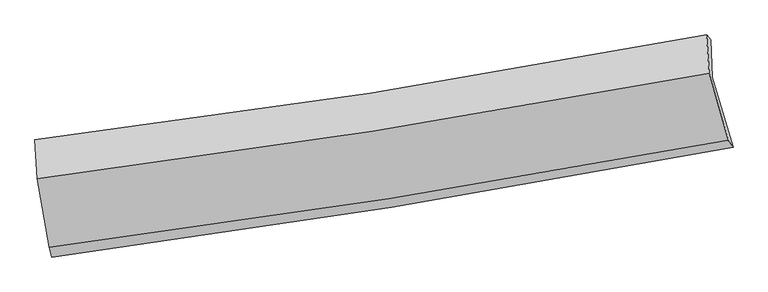
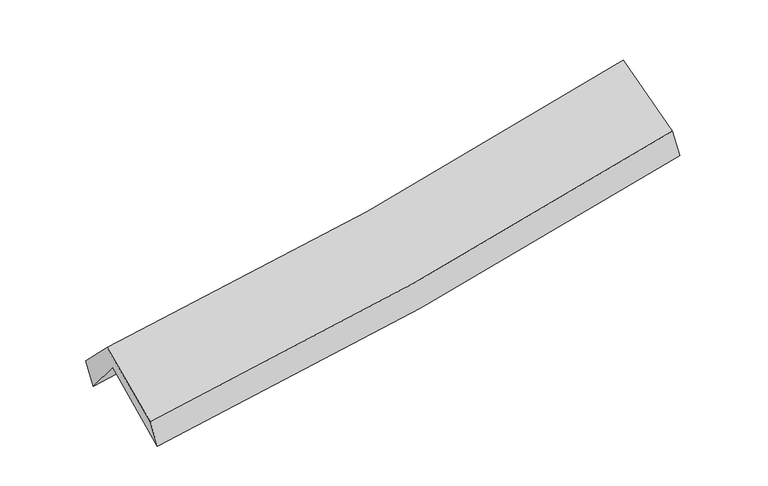
"""IFC4 building model written with IfcOpenShell, lengths in millimetres: proxy geometry."""

from ifc_helpers import new_model, si_unit, frame, origin, place, context, project, spatial, source, transform, mapped, element, save
from ifc_brep_helpers import plane_surface, spline_curve, spline_surface, advanced_brep


def generic_models_d85d3618(model_context):
    return source(origin(), model_context, "Body", "AdvancedBrep", [
        advanced_brep(
        [(-2341.0665662, -2477.4669407, 1494.8943421), (-2428.6709847, -1974.1659774, 1924.9607514), (2370.2208063, -1194.3096075, 2359.2906328), (2517.2421693, -1695.2196624, 1915.0904473), (-2440.8840328, -1713.5374277, 1603.1147526), (2357.1500132, -928.581421, 2041.3111565), (-2461.2804693, -1640.5628024, 1791.8602758), (2328.198086, -893.7508352, 2231.9074052), (-2444.3720733, -1920.3402495, 2074.9666997), (2347.4392088, -1166.4325385, 2508.5073211), (-2360.6146741, -2407.8152397, 1676.3664132), (2484.416569, -1645.4959061, 2114.6505143)],
        [
            (0, 1),
            (1, 2, spline_curve(3, [(-2428.6709847, -1974.1659774, 1924.9607514), (-1626.674512121, -1870.987971663, 1970.024233271), (-827.973730731, -1754.844769534, 2028.474041835), (771.730985619, -1495.184231637, 2172.949612785), (1572.660801418, -1351.375310341, 2259.276431154), (2370.2208063, -1194.3096075, 2359.2906328)], [4, 2, 4], [0.0, 8.011972345391671, 16.113537750259034])),
            (2, 3),
            (3, 0, spline_curve(3, [(2517.2421693, -1695.2196624, 1915.0904473), (1709.349209698, -1849.911238226, 1819.957167678), (898.275016894, -1992.741160331, 1737.248189512), (-721.231200064, -2253.229353982, 1597.456095655), (-1529.593252579, -2371.148524626, 1540.099705586), (-2341.0665662, -2477.4669407, 1494.8943421)], [4, 2, 4], [0.0, 8.101565404867364, 16.113537750259034])),
            (1, 4),
            (4, 5, spline_curve(3, [(-2440.8840328, -1713.5374277, 1603.1147526), (-1639.202819667, -1610.107919081, 1652.852501046), (-840.731230405, -1493.418009115, 1713.971074787), (758.685635613, -1232.064231455, 1859.78058971), (1559.558728271, -1087.102138996, 1944.727483959), (2357.1500132, -928.581421, 2041.3111565)], [4, 2, 4], [0.0, 7.965379498020564, 16.01983103577715])),
            (5, 2),
            (4, 6),
            (6, 7, spline_curve(3, [(-2461.2804693, -1640.5628024, 1791.8602758), (-1661.369083253, -1543.177023921, 1839.721073437), (-864.492379385, -1432.669201623, 1900.048470586), (732.068722024, -1184.026992078, 2046.45047542), (1531.684869752, -1045.597491779, 2132.805454594), (2328.198086, -893.7508352, 2231.9074052)], [4, 2, 4], [0.0, 7.9539030588787885, 15.9967498233893])),
            (7, 5),
            (6, 8),
            (8, 9, spline_curve(3, [(-2444.3720733, -1920.3402495, 2074.9666997), (-1644.194326594, -1819.350339232, 2119.270614141), (-846.991463416, -1706.445676949, 2177.273485108), (750.345868382, -1455.411067542, 2321.478938428), (1550.4134328, -1317.013159522, 2407.989607664), (2347.4392088, -1166.4325385, 2508.5073211)], [4, 2, 4], [0.0, 7.944709190891321, 15.978259277928023])),
            (9, 7),
            (8, 10),
            (10, 11, spline_curve(3, [(-2360.6146741, -2407.8152397, 1676.3664132), (-1551.638130319, -2303.158763847, 1723.324994287), (-745.625591941, -2187.717429981, 1783.053485417), (869.451482648, -1933.853535371, 1928.860992315), (1678.449358414, -1795.188424426, 2015.227201975), (2484.416569, -1645.4959061, 2114.6505143)], [4, 2, 4], [0.0, 7.990932176916519, 16.071222133781504])),
            (11, 9),
            (10, 0),
            (3, 11),
        ],
        [
            spline_surface(3, 3, [[(-2341.0665662, -2477.4669407, 1494.8943421), (-1529.593252549, -2371.148524619, 1540.099705474), (-721.231200043, -2253.22935398, 1597.456095725), (898.275016873, -1992.741160333, 1737.248189441), (1709.349209575, -1849.911238217, 1819.957167634), (2517.2421693, -1695.2196624, 1915.0904473)], [(-2370.26803906, -2309.699952932, 1638.249811849), (-1561.953672476, -2204.42834031, 1683.407881419), (-756.812043652, -2087.101159211, 1741.128744468), (856.093673149, -1826.888850753, 1882.481997206), (1663.786406822, -1683.732595595, 1966.396922187), (2468.235048301, -1528.249644123, 2063.15717581)], [(-2399.46951184, -2141.932965168, 1781.605281651), (-1594.314092321, -2037.708156005, 1826.716057416), (-792.392887233, -1920.972964393, 1884.801393176), (813.912329455, -1661.036541125, 2027.715804936), (1618.223604065, -1517.553952904, 2112.836676709), (2419.227927299, -1361.279625777, 2211.22390429)], [(-2428.6709847, -1974.1659774, 1924.9607514), (-1626.674512248, -1870.987971697, 1970.02423336), (-827.973730843, -1754.844769624, 2028.474041919), (771.730985732, -1495.184231546, 2172.9496127), (1572.660801312, -1351.375310283, 2259.276431262), (2370.2208063, -1194.3096075, 2359.2906328)]], [4, 4], [4, 2, 4], [0.0, 2.1994479087612366], [0.0, 8.011972345391671, 16.113537750259034]),
            spline_surface(3, 3, [[(-2428.6709847, -1974.1659774, 1924.9607514), (-1626.674512248, -1870.987971697, 1970.02423336), (-827.973730843, -1754.844769624, 2028.474041919), (771.730985732, -1495.184231546, 2172.9496127), (1572.660801312, -1351.375310283, 2259.276431262), (2370.2208063, -1194.3096075, 2359.2906328)], [(-2432.742000718, -1887.289794177, 1817.678751816), (-1630.850614679, -1784.027954158, 1864.30032259), (-832.226230661, -1667.702516156, 1923.639719503), (767.382535696, -1407.477564797, 2068.559938364), (1568.293443658, -1263.284253145, 2154.426782182), (2365.863875264, -1105.733545325, 2253.297474046)], [(-2436.813016782, -1800.413610923, 1710.396752184), (-1635.026717156, -1697.067936587, 1758.576411773), (-836.478730539, -1580.560262712, 1818.805397155), (763.034085601, -1319.770898073, 1964.170264094), (1563.926086012, -1175.193196031, 2049.577133063), (2361.506944236, -1017.157483175, 2147.304315254)], [(-2440.8840328, -1713.5374277, 1603.1147526), (-1639.202819587, -1610.107919047, 1652.852501004), (-840.731230357, -1493.418009244, 1713.971074739), (758.685635565, -1232.064231324, 1859.780589758), (1559.558728357, -1087.102138894, 1944.727483983), (2357.1500132, -928.581421, 2041.3111565)]], [4, 4], [4, 2, 4], [0.0, 1.3425301940645438], [0.0, 7.965379498020564, 16.01983103577715]),
            spline_surface(3, 3, [[(-2440.8840328, -1713.5374277, 1603.1147526), (-1639.202819587, -1610.107919047, 1652.852501004), (-840.731230357, -1493.418009244, 1713.971074739), (758.685635565, -1232.064231324, 1859.780589758), (1559.558728357, -1087.102138894, 1944.727483983), (2357.1500132, -928.581421, 2041.3111565)], [(-2447.682844982, -1689.212552592, 1666.029927), (-1646.591574188, -1587.797620648, 1715.142025182), (-848.651613357, -1473.168406739, 1775.996873414), (749.81333102, -1216.051818223, 1922.003884964), (1550.267442139, -1073.267256515, 2007.420140853), (2347.499370801, -916.971225743, 2104.843239382)], [(-2454.481657118, -1664.887677508, 1728.9451014), (-1653.980328743, -1565.487322272, 1777.431549361), (-856.571996324, -1452.91880421, 1838.022672022), (740.941026507, -1200.039405097, 1984.227180103), (1540.976155916, -1059.432374108, 2070.112797778), (2337.848728399, -905.361030457, 2168.375322318)], [(-2461.2804693, -1640.5628024, 1791.8602758), (-1661.369083344, -1543.177023872, 1839.721073539), (-864.492379324, -1432.669201704, 1900.048470696), (732.068721962, -1184.026991995, 2046.450475309), (1531.684869698, -1045.597491729, 2132.805454648), (2328.198086, -893.7508352, 2231.9074052)]], [4, 4], [4, 2, 4], [0.0, 0.6422624533311948], [0.0, 7.9539030588787885, 15.9967498233893]),
            spline_surface(3, 3, [[(-2461.2804693, -1640.5628024, 1791.8602758), (-1661.369083344, -1543.177023872, 1839.721073539), (-864.492379324, -1432.669201704, 1900.048470696), (732.068721962, -1184.026991995, 2046.450475309), (1531.684869698, -1045.597491729, 2132.805454648), (2328.198086, -893.7508352, 2231.9074052)], [(-2455.644337271, -1733.821951453, 1886.229083755), (-1655.644164414, -1635.234795714, 1932.904253759), (-858.658740712, -1523.928026795, 1992.456808847), (738.161104143, -1274.488350501, 2138.126629632), (1537.927724051, -1136.069380998, 2224.533505717), (2334.611793592, -984.644736288, 2324.107377186)], [(-2450.008205329, -1827.081100447, 1980.597891745), (-1649.91924557, -1727.292567497, 2026.087434012), (-852.825102125, -1615.186851887, 2084.865147051), (744.2534863, -1364.949709007, 2229.802784009), (1544.170578429, -1226.541270301, 2316.261556728), (2341.025501208, -1075.538637412, 2416.307349114)], [(-2444.3720733, -1920.3402495, 2074.9666997), (-1644.194326641, -1819.350339339, 2119.270614232), (-846.991463513, -1706.445676978, 2177.273485202), (750.345868481, -1455.411067513, 2321.478938333), (1550.413432782, -1317.01315957, 2407.989607797), (2347.4392088, -1166.4325385, 2508.5073211)]], [4, 4], [4, 2, 4], [0.0, 1.2742686018796667], [0.0, 7.944709190891321, 15.978259277928023]),
            spline_surface(3, 3, [[(-2444.3720733, -1920.3402495, 2074.9666997), (-1644.194326641, -1819.350339339, 2119.270614232), (-846.991463513, -1706.445676978, 2177.273485202), (750.345868481, -1455.411067513, 2321.478938333), (1550.413432782, -1317.01315957, 2407.989607797), (2347.4392088, -1166.4325385, 2508.5073211)], [(-2416.452940244, -2082.831912901, 1942.099937537), (-1613.342261222, -1980.619814171, 1987.288740952), (-813.202839626, -1866.869594674, 2045.866818565), (790.047739827, -1614.89189009, 2190.606289696), (1593.09207467, -1476.404914545, 2277.068805815), (2393.098328885, -1326.120327687, 2377.221718826)], [(-2388.533807156, -2245.323576299, 1809.233175363), (-1582.490195772, -2141.889289001, 1855.306867661), (-779.41421572, -2027.29351239, 1914.460151938), (829.749611193, -1774.372712687, 2059.73364107), (1635.770716502, -1635.796669559, 2146.148003853), (2438.757448915, -1485.808116913, 2245.936116574)], [(-2360.6146741, -2407.8152397, 1676.3664132), (-1551.638130353, -2303.158763833, 1723.324994382), (-745.625591833, -2187.717430086, 1783.0534853), (869.451482538, -1933.853535264, 1928.860992433), (1678.449358389, -1795.188424534, 2015.227201871), (2484.416569, -1645.4959061, 2114.6505143)]], [4, 4], [4, 2, 4], [0.0, 2.0676921115677733], [0.0, 7.990932176916519, 16.071222133781504]),
            spline_surface(3, 3, [[(-2360.6146741, -2407.8152397, 1676.3664132), (-1551.638130353, -2303.158763833, 1723.324994382), (-745.625591833, -2187.717430086, 1783.0534853), (869.451482538, -1933.853535264, 1928.860992433), (1678.449358389, -1795.188424534, 2015.227201871), (2484.416569, -1645.4959061, 2114.6505143)], [(-2354.098638125, -2431.032473345, 1615.875722843), (-1544.289837743, -2325.822017406, 1662.249898089), (-737.494127904, -2209.554738042, 1721.187688785), (879.059327315, -1953.482743611, 1864.990058112), (1688.749308774, -1813.429362429, 1950.137190441), (2495.358435756, -1662.070491534, 2048.130491949)], [(-2347.582602175, -2454.249707055, 1555.385032457), (-1536.941545159, -2348.485271045, 1601.174801768), (-729.362663971, -2231.392046025, 1659.32189224), (888.667172096, -1973.111951986, 1801.119123762), (1699.04925919, -1831.670300322, 1885.047179064), (2506.300302544, -1678.645076966, 1981.610469651)], [(-2341.0665662, -2477.4669407, 1494.8943421), (-1529.593252549, -2371.148524619, 1540.099705474), (-721.231200043, -2253.22935398, 1597.456095725), (898.275016873, -1992.741160333, 1737.248189441), (1709.349209575, -1849.911238217, 1819.957167634), (2517.2421693, -1695.2196624, 1915.0904473)]], [4, 4], [4, 2, 4], [0.0, 0.657463377974696], [0.0, 8.046757891015977, 16.183497827305857]),
            plane_surface(frame((2400.7778087, -1253.9649951, 2195.1262462), z_axis=(0.9760542299214727, 0.1849781624394079, 0.11446055946456536), x_axis=(0.2156688741277861, -0.7542783488071229, -0.6201218503272189))),
            plane_surface(frame((-2412.8148001, -2022.3147729, 1761.0272058), z_axis=(-0.9908278670762634, -0.12091949823036022, -0.06032091488713057), x_axis=(-0.10006188450413522, 0.356529669308994, 0.9289102293396819))),
        ],
        [
            (0, [[1, 2, 3, 4]]),
            (1, [[5, 6, 7, -2]]),
            (2, [[8, 9, 10, -6]]),
            (3, [[11, 12, 13, -9]]),
            (4, [[14, 15, 16, -12]]),
            (5, [[17, -4, 18, -15]]),
            (6, [[-16, -18, -3, -7, -10, -13]]),
            (7, [[-17, -14, -11, -8, -5, -1]]),
        ],
    ),
    ])


if __name__ == "__main__":
    model = new_model("IFC4")
    model_context = context("Model", 3, world=origin())
    ifc_project = project(units=[si_unit("LENGTHUNIT", "METRE", prefix="MILLI")], contexts=[model_context])
    site = spatial("IfcSite", under=ifc_project)
    building = spatial("IfcBuilding", under=site)
    placement = place(None, origin())
    generic_models_shape = generic_models_d85d3618(model_context)
    element("IfcBuildingElementProxy", 1, Name="Generic Models", at=placement, inside=building, context=model_context, shape_type="MappedRepresentation", body=[
        mapped(generic_models_shape, transform((0.0, 0.0, 0.0), x_axis=(1.0, 0.0, 0.0), y_axis=(0.0, 1.0, 0.0), z_axis=(0.0, 0.0, 1.0))),
    ])
    save(model, "model.ifc")
